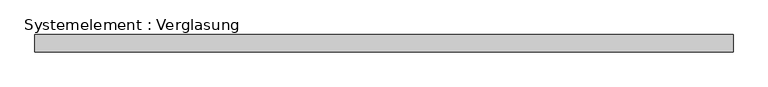
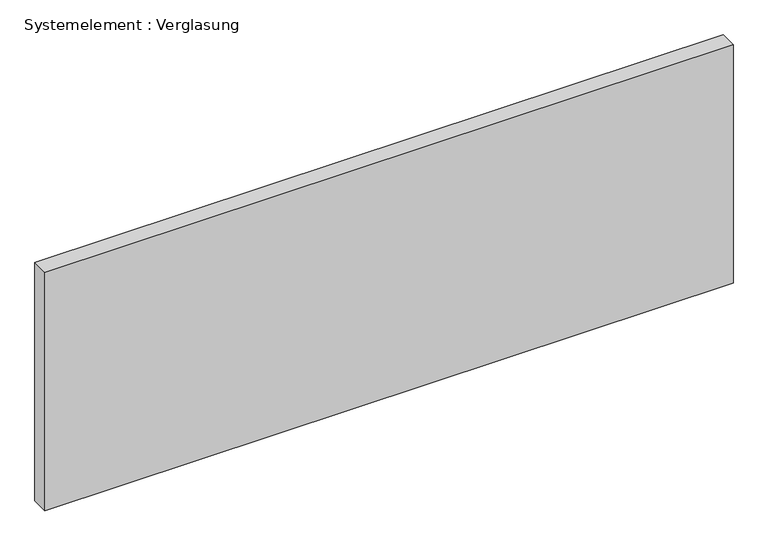
"""IFC4 building model written with IfcOpenShell, lengths in millimetres: plate geometry, Systemelement : Verglasung."""

from ifc_helpers import new_model, si_unit, origin, origin_with_axes, place, context, project, spatial, polyline, outline, extrude, source, transform, mapped, element, save


def systemelement_verglasung_6db45de5(model_context):
    return source(origin(), model_context, "Body", "SweptSolid", [
        extrude(outline(polyline([(600.3125, -15.0), (-600.3125, -15.0), (-600.3125, 15.0), (600.3125, 15.0), (600.3125, -15.0)])), origin_with_axes(), (0.0, 0.0, 1.0), 440.0),
    ])


if __name__ == "__main__":
    model = new_model("IFC4")
    model_context = context("Model", 3, world=origin())
    ifc_project = project(units=[si_unit("LENGTHUNIT", "METRE", prefix="MILLI")], contexts=[model_context])
    site = spatial("IfcSite", under=ifc_project)
    building = spatial("IfcBuilding", under=site)
    placement = place(None, origin())
    systemelement_verglasung_shape = systemelement_verglasung_6db45de5(model_context)
    element("IfcPlate", 1, ObjectType="Systemelement : Verglasung", at=placement, inside=building, context=model_context, shape_type="MappedRepresentation", body=[
        mapped(systemelement_verglasung_shape, transform((0.0, 0.0, 0.0), x_axis=(1.0, 0.0, 0.0), y_axis=(0.0, 1.0, 0.0), z_axis=(0.0, 0.0, 1.0))),
    ])
    save(model, "model.ifc")
